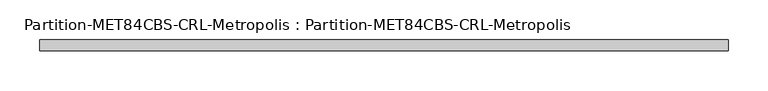
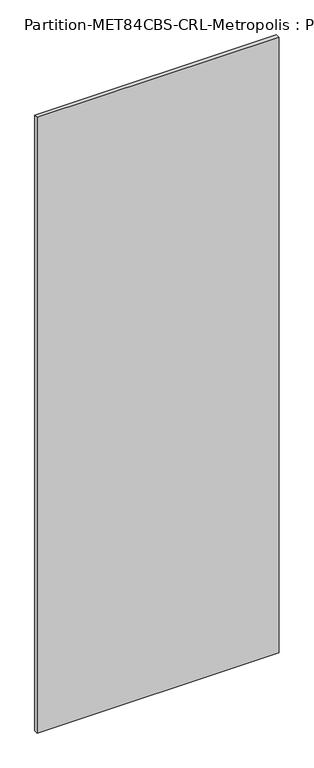
"""IFC4 building model written with IfcOpenShell, lengths in millimetres: plate geometry, Partition-MET84CBS-CRL-Metropolis : Partition-MET84CBS-CRL-Metropolis."""

from ifc_helpers import new_model, si_unit, frame, origin, place, context, project, spatial, polyline, outline, extrude, source, transform, mapped, element, save


def partition_met84cbs_crl_metropolis_partition_met84cbs_crl_1a65cc60(model_context):
    return source(origin(), model_context, "Body", "SweptSolid", [
        extrude(outline(polyline([(434.975, -98.425), (434.975, -112.7125), (-434.975, -112.7125), (-434.975, -98.425), (434.975, -98.425)])), frame((0.0, 0.0, 98.425), z_axis=(0.0, 0.0, 1.0), x_axis=(1.0, 0.0, 0.0)), (0.0, 0.0, 1.0), 2339.975),
    ])


if __name__ == "__main__":
    model = new_model("IFC4")
    model_context = context("Model", 3, world=origin())
    ifc_project = project(units=[si_unit("LENGTHUNIT", "METRE", prefix="MILLI")], contexts=[model_context])
    site = spatial("IfcSite", under=ifc_project)
    building = spatial("IfcBuilding", under=site)
    placement = place(None, origin())
    partition_met84cbs_crl_metropolis_partition_met84cbs_crl_shape = partition_met84cbs_crl_metropolis_partition_met84cbs_crl_1a65cc60(model_context)
    element("IfcPlate", 1, ObjectType="Partition-MET84CBS-CRL-Metropolis : Partition-MET84CBS-CRL-Metropolis", at=placement, inside=building, context=model_context, shape_type="MappedRepresentation", body=[
        mapped(partition_met84cbs_crl_metropolis_partition_met84cbs_crl_shape, transform((0.0, 0.0, 0.0), x_axis=(1.0, 0.0, 0.0), y_axis=(0.0, 1.0, 0.0), z_axis=(0.0, 0.0, 1.0))),
    ])
    save(model, "model.ifc")
